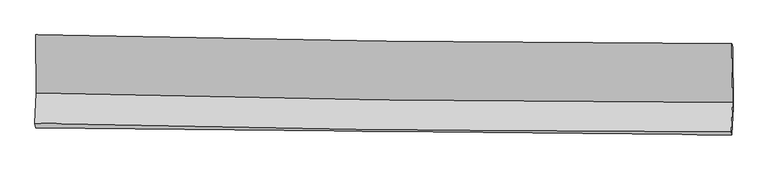
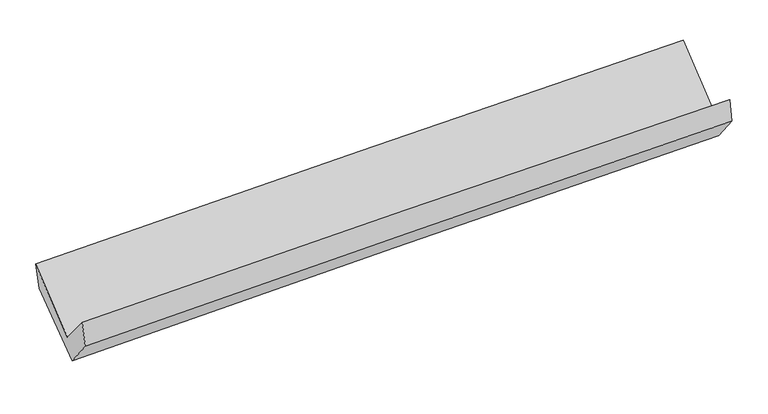
"""IFC4 building model written with IfcOpenShell, lengths in millimetres: proxy geometry."""

import ifcopenshell
import ifcopenshell.guid

model = None  # the IFC model being written
_history = None  # IfcOwnerHistory: only IFC2X3 demands one
_inside = {}  # id of a spatial element -> (the spatial element, [elements in it])
_under = {}  # id of a project, library or spatial element -> (it, [spatial elements below it])
_declared = {}  # id of a project -> (the project, [libraries it declares])
_typed = {}  # id of a type object -> (the type object, [elements of that type])
_made_of = {}  # id of a material, layer set ... -> (it, [elements and type objects made of it])


def new_model(schema):
    """Start an empty IFC model of exactly this schema.

    Asked for "IFC4X3", IfcOpenShell would pick the latest addendum, in which some entities
    have other attributes; the version numbers below select the first issue.
    IFC2X3 requires an IfcOwnerHistory on every rooted entity: one is made here for all.
    """
    global model, _history
    if schema == "IFC4X3":
        model = ifcopenshell.file(schema_version=(4, 3, 0, 0))
    else:
        model = ifcopenshell.file(schema=schema)
    _inside.clear()
    _under.clear()
    _declared.clear()
    _typed.clear()
    _made_of.clear()
    _history = None
    if model.schema == "IFC2X3":
        org = make("IfcOrganization", Name="unknown")
        user = make(
            "IfcPersonAndOrganization",
            ThePerson=make("IfcPerson", FamilyName="unknown"),
            TheOrganization=org,
        )
        app = make(
            "IfcApplication",
            ApplicationDeveloper=org,
            Version="unknown",
            ApplicationFullName="unknown",
            ApplicationIdentifier="unknown",
        )
        _history = make(
            "IfcOwnerHistory",
            OwningUser=user,
            OwningApplication=app,
            ChangeAction="ADDED",
            CreationDate=0,
        )
    return model


def make(cls, **values):
    """One entity of the class cls with the attributes given. An attribute that is None is left unset."""
    return model.create_entity(
        cls, **{name: value for name, value in values.items() if value is not None}
    )


def rooted(cls, **values):
    """An entity with a GlobalId (a new one), such as an element, a storey or a relation."""
    return make(cls, GlobalId=ifcopenshell.guid.new(), OwnerHistory=_history, **values)


def si_unit(unit_type, name, prefix=None):
    """IfcSIUnit, for example si_unit("LENGTHUNIT", "METRE", prefix="MILLI")."""
    return make("IfcSIUnit", UnitType=unit_type, Prefix=prefix, Name=name)


def assignment(units):
    """IfcUnitAssignment: the units of a project."""
    return None if units is None else make("IfcUnitAssignment", Units=units)


def point(xyz):
    """IfcCartesianPoint."""
    return None if xyz is None else make("IfcCartesianPoint", Coordinates=xyz)


def direction(xyz):
    """IfcDirection."""
    return None if xyz is None else make("IfcDirection", DirectionRatios=xyz)


def frame(location, z_axis=None, x_axis=None):
    """IfcAxis2Placement3D, a coordinate frame: its origin and axes. An axis left out is left unset."""
    return make(
        "IfcAxis2Placement3D",
        Location=point(location),
        Axis=direction(z_axis),
        RefDirection=direction(x_axis),
    )


def origin():
    """The frame at (0, 0, 0) with its axes left unset."""
    return frame((0.0, 0.0, 0.0))


def place(relative_to, where):
    """IfcLocalPlacement: puts the frame where relative to a parent placement (None: the world)."""
    return make(
        "IfcLocalPlacement", PlacementRelTo=relative_to, RelativePlacement=where
    )


def context(
    kind, dimensions, precision=None, world=None, true_north=None, identifier=None
):
    """IfcGeometricRepresentationContext, for example the 3D "Model" context."""
    return make(
        "IfcGeometricRepresentationContext",
        ContextIdentifier=identifier,
        ContextType=kind,
        CoordinateSpaceDimension=dimensions,
        Precision=precision,
        WorldCoordinateSystem=world,
        TrueNorth=true_north,
    )


def project(units=None, contexts=None):
    """IfcProject with its units and contexts."""
    return rooted(
        "IfcProject",
        Name="project",
        RepresentationContexts=contexts,
        UnitsInContext=assignment(units),
    )


def spatial(cls, under=None, at=None, **own):
    """A site, building, storey or space (cls), placed at a placement, below another one or the project."""
    s = rooted(cls, ObjectPlacement=at, **own)
    if under is not None:
        _under.setdefault(under.id(), (under, []))[1].append(s)
    return s


def shape(context_of_items, identifier, shape_type, items):
    """IfcShapeRepresentation: the items that make up one representation, for example the "Body"."""
    return make(
        "IfcShapeRepresentation",
        ContextOfItems=context_of_items,
        RepresentationIdentifier=identifier,
        RepresentationType=shape_type,
        Items=items,
    )


def source(mapping_origin, context_of_items, identifier, shape_type, items):
    """IfcRepresentationMap: a shape defined once, which mapped items show again and again."""
    return make(
        "IfcRepresentationMap",
        MappingOrigin=mapping_origin,
        MappedRepresentation=shape(context_of_items, identifier, shape_type, items),
    )


def transform(
    local_origin,
    x_axis=None,
    y_axis=None,
    z_axis=None,
    scale=None,
    scale2=None,
    scale3=None,
    uniform=True,
):
    """IfcCartesianTransformationOperator3D, or its non-uniform kind. x_axis, y_axis, z_axis: its Axis1, 2, 3."""
    if uniform:
        return make(
            "IfcCartesianTransformationOperator3D",
            Axis1=direction(x_axis),
            Axis2=direction(y_axis),
            LocalOrigin=point(local_origin),
            Scale=scale,
            Axis3=direction(z_axis),
        )
    return make(
        "IfcCartesianTransformationOperator3DnonUniform",
        Axis1=direction(x_axis),
        Axis2=direction(y_axis),
        LocalOrigin=point(local_origin),
        Scale=scale,
        Axis3=direction(z_axis),
        Scale2=scale2,
        Scale3=scale3,
    )


def mapped(mapping_source, mapping_target):
    """IfcMappedItem: shows the shape of a source again, moved by a transform."""
    return make(
        "IfcMappedItem", MappingSource=mapping_source, MappingTarget=mapping_target
    )


def made_of(thing, what):
    """Note that an element or type object is made of a material, layer set ...; save() writes the relation."""
    if what is not None:
        _made_of.setdefault(what.id(), (what, []))[1].append(thing)
    return thing


def element(
    cls,
    number,
    at=None,
    inside=None,
    cuts=None,
    type_object=None,
    material=None,
    context=None,
    identifier="Body",
    shape_type=None,
    held_by="IfcProductDefinitionShape",
    body=None,
    shapes=None,
    **own,
):
    """One element of the class cls, such as IfcWall. Its Tag is "e" and its number.

    at: its placement. inside: the storey or other place that contains it. cuts: it is an
    opening in that element (IfcRelVoidsElement). A single representation is given by context,
    identifier, shape_type and body (its items); several are given by shapes. held_by: the class
    of the entity that holds the representations. save() writes the other relations.
    """
    e = rooted(cls, Tag="e%d" % number, ObjectPlacement=at, **own)
    if body is not None:
        shapes = [shape(context, identifier, shape_type, body)]
    if shapes is not None:
        e.Representation = make(held_by, Representations=shapes)
    if inside is not None:
        _inside.setdefault(inside.id(), (inside, []))[1].append(e)
    if cuts is not None:
        rooted(
            "IfcRelVoidsElement", RelatingBuildingElement=cuts, RelatedOpeningElement=e
        )
    if type_object is not None:
        _typed.setdefault(type_object.id(), (type_object, []))[1].append(e)
    return made_of(e, material)


def aggregate(whole, parts):
    """IfcRelAggregates: a whole, such as a stair, and the parts it consists of."""
    return rooted("IfcRelAggregates", RelatingObject=whole, RelatedObjects=parts)


def save(model, path):
    """Write the relations noted so far, then the file.

    IfcRelAggregates (storeys below a building ...), IfcRelContainedInSpatialStructure (elements
    in a storey), IfcRelDefinesByType, IfcRelAssociatesMaterial and IfcRelDeclares: one each for
    every whole, place, type object, material and project.
    """
    for whole, parts in _under.values():
        aggregate(whole, parts)
    for where, things in _inside.values():
        rooted(
            "IfcRelContainedInSpatialStructure",
            RelatedElements=things,
            RelatingStructure=where,
        )
    for kind, things in _typed.values():
        rooted("IfcRelDefinesByType", RelatedObjects=things, RelatingType=kind)
    for what, things in _made_of.values():
        rooted("IfcRelAssociatesMaterial", RelatedObjects=things, RelatingMaterial=what)
    for by, libraries in _declared.values():
        rooted("IfcRelDeclares", RelatingContext=by, RelatedDefinitions=libraries)
    model.write(path)


def plane_surface(at):
    """IfcPlane: the flat surface through the origin of the frame at, square to its z axis."""
    return make("IfcPlane", Position=at)


def spline_curve(degree, points, multiplicities, knots, weights=None):
    """IfcBSplineCurveWithKnots; with weights, IfcRationalBSplineCurveWithKnots."""
    own = dict(
        Degree=degree,
        ControlPointsList=[point(p) for p in points],
        CurveForm="UNSPECIFIED",
        ClosedCurve=False,
        SelfIntersect=False,
        KnotMultiplicities=multiplicities,
        Knots=knots,
        KnotSpec="UNSPECIFIED",
    )
    if weights is None:
        return make("IfcBSplineCurveWithKnots", **own)
    return make("IfcRationalBSplineCurveWithKnots", WeightsData=weights, **own)


def spline_surface(u_degree, v_degree, points, u_multiplicities, v_multiplicities, u_knots, v_knots, weights=None):
    """IfcBSplineSurfaceWithKnots; with weights, IfcRationalBSplineSurfaceWithKnots. points: one row for each step in u."""
    own = dict(
        UDegree=u_degree,
        VDegree=v_degree,
        ControlPointsList=[[point(p) for p in row] for row in points],
        SurfaceForm="UNSPECIFIED",
        UClosed=False,
        VClosed=False,
        SelfIntersect=False,
        UMultiplicities=u_multiplicities,
        VMultiplicities=v_multiplicities,
        UKnots=u_knots,
        VKnots=v_knots,
        KnotSpec="UNSPECIFIED",
    )
    if weights is None:
        return make("IfcBSplineSurfaceWithKnots", **own)
    return make("IfcRationalBSplineSurfaceWithKnots", WeightsData=weights, **own)


def advanced_brep(points, edges, surfaces, faces):
    """IfcAdvancedBrep: a solid bounded by faces that lie on surfaces and meet in shared edges.

    An edge is (start, end): straight between two places in points (the first is 0);
    or (start, end, curve); or (start, end, curve, False) where it runs against its curve.
    A face is (place in surfaces, loops), or (place, loops, False) where it looks against
    its surface's normal. A loop lists edges by number (the first is 1), with a minus sign
    where the edge is run from its end to its start. The first loop is the outer one.
    """
    corners = [point(p) for p in points]
    vertices = [make("IfcVertexPoint", VertexGeometry=c) for c in corners]
    made = []
    for start, end, *more in edges:
        made.append(
            make(
                "IfcEdgeCurve",
                EdgeStart=vertices[start],
                EdgeEnd=vertices[end],
                EdgeGeometry=more[0] if more else make("IfcPolyline", Points=[corners[start], corners[end]]),
                SameSense=more[1] if len(more) > 1 else True,
            )
        )
    hull = []
    for where, loops, *sense in faces:
        bounds = []
        for j, loop in enumerate(loops):
            ring = [make("IfcOrientedEdge", EdgeElement=made[abs(k) - 1], Orientation=k > 0) for k in loop]
            bounds.append(
                make(
                    "IfcFaceOuterBound" if j == 0 else "IfcFaceBound",
                    Bound=make("IfcEdgeLoop", EdgeList=ring),
                    Orientation=True,
                )
            )
        hull.append(make("IfcAdvancedFace", Bounds=bounds, FaceSurface=surfaces[where], SameSense=sense[0] if sense else True))
    return make("IfcAdvancedBrep", Outer=make("IfcClosedShell", CfsFaces=hull))


def generic_models_24eb802c(model_context):
    return source(origin(), model_context, "Body", "AdvancedBrep", [
        advanced_brep(
        [(-3020.6552504, -1163.2582256, 2162.937717), (-3015.5659318, -1669.1503209, 1741.9539216), (3007.574918, -1748.1299183, 1888.7655703), (3001.7956968, -1241.0801766, 2323.8015179), (-3027.1887724, -1930.6475619, 2054.2414164), (2996.0991027, -2006.3980319, 2197.1967925), (-3021.8173213, -1970.7587941, 1836.1724951), (3001.2257479, -2030.2909411, 1998.2664756), (-3011.3459938, -1741.3024178, 1552.0142209), (3011.8515579, -1797.449418, 1709.9160429), (-3015.4333058, -1210.1615896, 1947.3150124), (3007.4747141, -1270.3187693, 2102.2207024)],
        [
            (0, 1),
            (1, 2, spline_curve(3, [(-3015.5659318, -1669.1503209, 1741.9539216), (-2012.317557823, -1695.046389994, 1783.445337204), (-1008.768909384, -1714.576055934, 1816.42531961), (998.944697571, -1740.902788555, 1865.362803194), (2003.109666039, -1747.699654699, 1881.320036824), (3007.574918, -1748.1299183, 1888.7655703)], [4, 2, 4], [0.0, 9.884364803430781, 19.7688848106774])),
            (2, 3),
            (3, 0, spline_curve(3, [(3001.7956968, -1241.0801766, 2323.8015179), (1997.54128824, -1238.620029618, 2311.496748128), (993.539233715, -1230.904701357, 2291.938884197), (-1013.944407733, -1204.963885702, 2238.317389381), (-2017.42600201, -1186.738563844, 2204.253986272), (-3020.6552504, -1163.2582256, 2162.937717)], [4, 2, 4], [0.0, 9.884520007246618, 19.7688848106774])),
            (1, 4),
            (4, 5, spline_curve(3, [(-3027.1887724, -1930.6475619, 2054.2414164), (-2023.963046146, -1957.066625955, 2096.357414646), (-1020.413470038, -1976.588701665, 2129.328339958), (987.34914461, -2001.839074773, 2176.980418954), (1991.562193592, -2007.56715592, 2191.661285933), (2996.0991027, -2006.3980319, 2197.1967925)], [4, 2, 4], [0.0, 9.884792092222972, 19.769739394971047])),
            (5, 2),
            (4, 6),
            (6, 7, spline_curve(3, [(-3021.8173213, -1970.7587941, 1836.1724951), (-2018.120072414, -1981.552336017, 1868.410321918), (-1014.355133426, -1991.910083423, 1898.036981661), (993.325887757, -2011.754146371, 1952.068390535), (1997.241971501, -2021.240447594, 1976.473057588), (3001.2257479, -2030.2909411, 1998.2664756)], [4, 2, 4], [0.0, 9.88446804938374, 19.76909130420448])),
            (7, 5),
            (6, 8),
            (8, 9, spline_curve(3, [(-3011.3459938, -1741.3024178, 1552.0142209), (-2007.575234146, -1750.48512876, 1582.257198248), (-1003.760666053, -1759.755363327, 1610.53708442), (1003.971849988, -1778.471027608, 1663.171086605), (2007.889799149, -1787.916459294, 1687.525141325), (3011.8515579, -1797.449418, 1709.9160429)], [4, 2, 4], [0.0, 9.884340313970858, 19.76883583137302])),
            (9, 7),
            (8, 10),
            (10, 11, spline_curve(3, [(-3015.4333058, -1210.1615896, 1947.3150124), (-2011.721911739, -1218.674637011, 1978.054430469), (-1007.961153992, -1227.944213546, 2006.332864634), (999.67485137, -1247.996583084, 2057.96817215), (2003.550099931, -1258.779399693, 2081.324967664), (3007.4747141, -1270.3187693, 2102.2207024)], [4, 2, 4], [0.0, 9.884073889141302, 19.768302977530517])),
            (11, 9),
            (10, 0),
            (3, 11),
        ],
        [
            spline_surface(3, 3, [[(-3020.6552504, -1163.2582256, 2162.937717), (-2017.426001957, -1186.738563788, 2204.253986362), (-1013.944407584, -1204.963885849, 2238.317389413), (993.539233566, -1230.90470121, 2291.938884164), (1997.541288244, -1238.620029487, 2311.496748051), (3001.7956968, -1241.0801766, 2323.8015179)], [(-3018.958810869, -1331.888924027, 2022.609785224), (-2015.723187209, -1356.174505859, 2063.984436616), (-1012.219241544, -1374.834609244, 2097.686699476), (995.341054946, -1400.904063625, 2149.746857144), (1999.397414172, -1408.313237963, 2168.104510965), (3003.722103855, -1410.096757184, 2178.789535352)], [(-3017.262371331, -1500.519622473, 1882.281853376), (-2014.020372455, -1525.61044795, 1923.714886797), (-1010.494075531, -1544.705332639, 1957.056009588), (997.142876297, -1570.90342604, 2007.554830174), (2001.253540137, -1578.006446386, 2024.712273922), (3005.648510945, -1579.113337716, 2033.777552848)], [(-3015.5659318, -1669.1503209, 1741.9539216), (-2012.317557707, -1695.04639002, 1783.445337051), (-1008.768909491, -1714.576056034, 1816.42531965), (998.944697678, -1740.902788455, 1865.362803154), (2003.109666066, -1747.699654863, 1881.320036836), (3007.574918, -1748.1299183, 1888.7655703)]], [4, 4], [4, 2, 4], [0.0, 2.1760251753298503], [0.0, 9.884364803430781, 19.7688848106774]),
            spline_surface(3, 3, [[(-3015.5659318, -1669.1503209, 1741.9539216), (-2012.317557707, -1695.04639002, 1783.445337051), (-1008.768909491, -1714.576056034, 1816.42531965), (998.944697678, -1740.902788455, 1865.362803154), (2003.109666066, -1747.699654863, 1881.320036836), (3007.574918, -1748.1299183, 1888.7655703)], [(-3019.440211984, -1756.316067898, 1846.04975318), (-2016.199387218, -1782.386468629, 1887.74936286), (-1012.650429725, -1801.913604557, 1920.726326392), (995.079513337, -1827.881550595, 1969.235341804), (1999.260508587, -1834.322155153, 1984.767119829), (3003.749646235, -1834.21928949, 1991.575977706)], [(-3023.314492216, -1843.481814902, 1950.14558482), (-2020.081216778, -1869.726547243, 1992.053388728), (-1016.531949904, -1889.251153059, 2025.0273331), (991.21432905, -1914.860312716, 2073.10788042), (1995.411351102, -1920.944655475, 2088.214202804), (2999.924374465, -1920.30866071, 2094.386385094)], [(-3027.1887724, -1930.6475619, 2054.2414164), (-2023.963046289, -1957.066625852, 2096.357414538), (-1020.413470138, -1976.588701582, 2129.328339842), (987.349144709, -2001.839074856, 2176.98041907), (1991.562193623, -2007.567155766, 2191.661285796), (2996.0991027, -2006.3980319, 2197.1967925)]], [4, 4], [4, 2, 4], [0.0, 1.3367577429732975], [0.0, 9.884792092222972, 19.769739394971047]),
            spline_surface(3, 3, [[(-3027.1887724, -1930.6475619, 2054.2414164), (-2023.963046289, -1957.066625852, 2096.357414538), (-1020.413470138, -1976.588701582, 2129.328339842), (987.349144709, -2001.839074856, 2176.98041907), (1991.562193623, -2007.567155766, 2191.661285796), (2996.0991027, -2006.3980319, 2197.1967925)], [(-3025.3982887, -1944.017972637, 1981.551775979), (-2022.015388356, -1965.228529221, 2020.375050389), (-1018.394024526, -1981.695828924, 2052.231220458), (989.341392354, -2005.144098673, 2102.009742891), (1993.455452941, -2012.12491972, 2119.931876456), (2997.807984455, -2014.362334969, 2130.886686887)], [(-3023.607805, -1957.388383363, 1908.862135521), (-2020.067730422, -1973.390432581, 1944.392686204), (-1016.374578919, -1986.802956206, 1975.13410106), (991.333639994, -2008.44912243, 2027.039066699), (1995.348712195, -2016.682683669, 2048.202467055), (2999.516866145, -2022.326638031, 2064.576581213)], [(-3021.8173213, -1970.7587941, 1836.1724951), (-2018.120072489, -1981.55233595, 1868.410322056), (-1014.355133308, -1991.910083548, 1898.036981676), (993.325887639, -2011.754146246, 1952.06839052), (1997.241971513, -2021.240447623, 1976.473057715), (3001.2257479, -2030.2909411, 1998.2664756)]], [4, 4], [4, 2, 4], [0.0, 0.7497691073630266], [0.0, 9.88446804938374, 19.76909130420448]),
            spline_surface(3, 3, [[(-3021.8173213, -1970.7587941, 1836.1724951), (-2018.120072489, -1981.55233595, 1868.410322056), (-1014.355133308, -1991.910083548, 1898.036981676), (993.325887639, -2011.754146246, 1952.06839052), (1997.241971513, -2021.240447623, 1976.473057715), (3001.2257479, -2030.2909411, 1998.2664756)], [(-3018.326878812, -1894.273335346, 1741.453070361), (-2014.605126377, -1904.529933553, 1773.025947484), (-1010.823644176, -1914.525176838, 1802.203682557), (996.874541737, -1933.993106626, 1855.769289228), (2000.791247307, -1943.465784882, 1880.15708558), (3004.767684536, -1952.677100048, 1902.149664693)], [(-3014.836436288, -1817.787876554, 1646.733645639), (-2011.09018023, -1827.507531116, 1677.641572928), (-1007.292155086, -1837.140270194, 1706.370383469), (1000.423195792, -1856.232067071, 1759.470187966), (2004.340523192, -1865.691122196, 1783.841113466), (3008.309621264, -1875.063259052, 1806.032853807)], [(-3011.3459938, -1741.3024178, 1552.0142209), (-2007.575234118, -1750.485128718, 1582.257198355), (-1003.760665954, -1759.755363484, 1610.537084351), (1003.97184989, -1778.471027451, 1663.171086674), (2007.889798986, -1787.916459455, 1687.52514133), (3011.8515579, -1797.449418, 1709.9160429)]], [4, 4], [4, 2, 4], [0.0, 1.2158127271394656], [0.0, 9.884340313970858, 19.76883583137302]),
            spline_surface(3, 3, [[(-3011.3459938, -1741.3024178, 1552.0142209), (-2007.575234118, -1750.485128718, 1582.257198355), (-1003.760665954, -1759.755363484, 1610.537084351), (1003.97184989, -1778.471027451, 1663.171086674), (2007.889798986, -1787.916459455, 1687.52514133), (3011.8515579, -1797.449418, 1709.9160429)], [(-3012.70843114, -1564.255475071, 1683.781151392), (-2008.957459979, -1573.214964791, 1714.189609009), (-1005.160828577, -1582.484980209, 1742.469011153), (1002.539517012, -1601.646212674, 1794.770115128), (2006.443232671, -1611.537439531, 1818.791750078), (3010.392609966, -1621.73920178, 1840.684262714)], [(-3014.07086846, -1387.208532329, 1815.548081908), (-2010.339685819, -1395.94480085, 1846.122019686), (-1006.560991227, -1405.214596858, 1874.40093795), (1001.107184105, -1424.821397824, 1926.369143578), (2004.996666359, -1435.158419565, 1950.058358882), (3008.933662034, -1446.02898552, 1971.452482586)], [(-3015.4333058, -1210.1615896, 1947.3150124), (-2011.72191168, -1218.674636923, 1978.05443034), (-1007.961153849, -1227.944213582, 2006.332864752), (999.674851227, -1247.996583047, 2057.968172033), (2003.550100044, -1258.779399641, 2081.32496763), (3007.4747141, -1270.3187693, 2102.2207024)]], [4, 4], [4, 2, 4], [0.0, 2.172277703430888], [0.0, 9.884073889141302, 19.768302977530517]),
            spline_surface(3, 3, [[(-3015.4333058, -1210.1615896, 1947.3150124), (-2011.72191168, -1218.674636923, 1978.05443034), (-1007.961153849, -1227.944213582, 2006.332864752), (999.674851227, -1247.996583047, 2057.968172033), (2003.550100044, -1258.779399641, 2081.32496763), (3007.4747141, -1270.3187693, 2102.2207024)], [(-3017.173953995, -1194.527134921, 2019.189247263), (-2013.623275101, -1208.029279199, 2053.454282343), (-1009.955571777, -1220.284104308, 2083.661039648), (997.629645324, -1242.299289072, 2135.958409419), (2001.547162797, -1252.059609585, 2158.048894451), (3005.581708353, -1260.572571729, 2176.080974248)], [(-3018.914602205, -1178.892680279, 2091.063482137), (-2015.524638536, -1197.383921512, 2128.854134359), (-1011.949989657, -1212.623995123, 2160.989214517), (995.584439469, -1236.601995185, 2213.948646778), (1999.544225491, -1245.339819543, 2234.772821229), (3003.688702547, -1250.826374171, 2249.941246052)], [(-3020.6552504, -1163.2582256, 2162.937717), (-2017.426001957, -1186.738563788, 2204.253986362), (-1013.944407584, -1204.963885849, 2238.317389413), (993.539233566, -1230.90470121, 2291.938884164), (1997.541288244, -1238.620029487, 2311.496748051), (3001.7956968, -1241.0801766, 2323.8015179)]], [4, 4], [4, 2, 4], [0.0, 0.7674412486659186], [0.0, 9.883828028960442, 19.767811253308317]),
            plane_surface(frame((3004.3369562, -1682.2778759, 2036.6945169), z_axis=(0.9995588897028025, -0.011938727966621182, 0.027193616725987628), x_axis=(-0.006660783991938365, 0.8021998373226842, 0.5970184712017476))),
            plane_surface(frame((-3018.6677626, -1614.2131516, 1882.4391306), z_axis=(-0.9995625750031906, 0.012318623425746446, -0.026886988858665382), x_axis=(0.023657948464890253, -0.21249504871303695, -0.9768757115144572))),
        ],
        [
            (0, [[1, 2, 3, 4]]),
            (1, [[5, 6, 7, -2]]),
            (2, [[8, 9, 10, -6]]),
            (3, [[11, 12, 13, -9]]),
            (4, [[14, 15, 16, -12]]),
            (5, [[17, -4, 18, -15]]),
            (6, [[-16, -18, -3, -7, -10, -13]]),
            (7, [[-17, -14, -11, -8, -5, -1]]),
        ],
    ),
    ])


if __name__ == "__main__":
    model = new_model("IFC4")
    model_context = context("Model", 3, world=origin())
    ifc_project = project(units=[si_unit("LENGTHUNIT", "METRE", prefix="MILLI")], contexts=[model_context])
    site = spatial("IfcSite", under=ifc_project)
    building = spatial("IfcBuilding", under=site)
    placement = place(None, origin())
    generic_models_shape = generic_models_24eb802c(model_context)
    element("IfcBuildingElementProxy", 1, Name="Generic Models", at=placement, inside=building, context=model_context, shape_type="MappedRepresentation", body=[
        mapped(generic_models_shape, transform((0.0, 0.0, 0.0), x_axis=(1.0, 0.0, 0.0), y_axis=(0.0, 1.0, 0.0), z_axis=(0.0, 0.0, 1.0))),
    ])
    save(model, "model.ifc")
